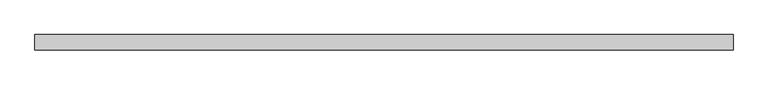
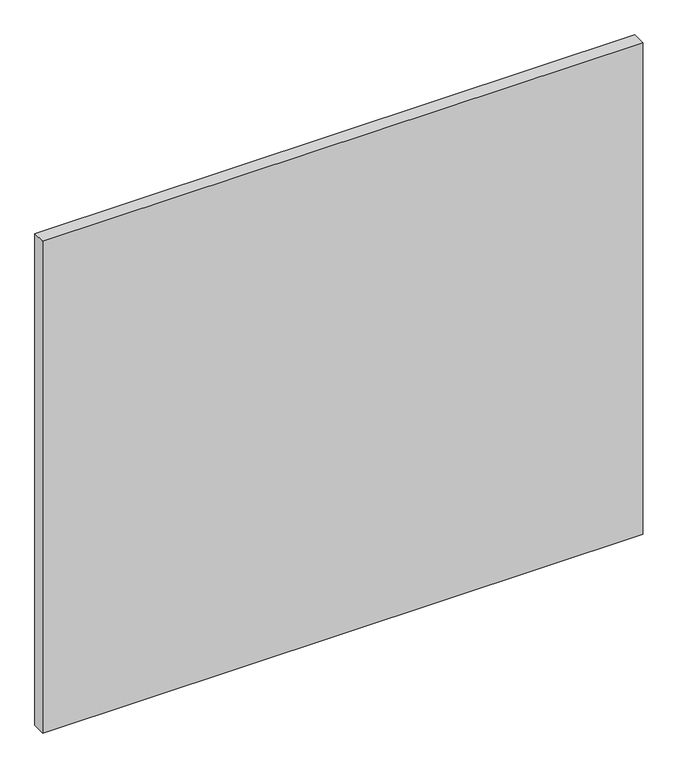
"""IFC4 building model written with IfcOpenShell, lengths in millimetres: plate geometry."""

from ifc_helpers import new_model, si_unit, origin, origin_with_axes, place, context, project, spatial, polyline, outline, extrude, source, transform, mapped, element, save


def plate_9f13a857(model_context):
    return source(origin(), model_context, "Body", "SweptSolid", [
        extrude(outline(polyline([(562.5090002, 24.5), (-562.5090002, 24.5), (-562.5090002, 49.5), (562.5090002, 49.5), (562.5090002, 24.5)])), origin_with_axes(), (0.0, 0.0, 1.0), 975.0),
    ])


if __name__ == "__main__":
    model = new_model("IFC4")
    model_context = context("Model", 3, world=origin())
    ifc_project = project(units=[si_unit("LENGTHUNIT", "METRE", prefix="MILLI")], contexts=[model_context])
    site = spatial("IfcSite", under=ifc_project)
    building = spatial("IfcBuilding", under=site)
    placement = place(None, origin())
    plate_shape = plate_9f13a857(model_context)
    element("IfcPlate", 1, at=placement, inside=building, context=model_context, shape_type="MappedRepresentation", body=[
        mapped(plate_shape, transform((0.0, 0.0, 0.0), x_axis=(1.0, 0.0, 0.0), y_axis=(0.0, 1.0, 0.0), z_axis=(0.0, 0.0, 1.0))),
    ])
    save(model, "model.ifc")
